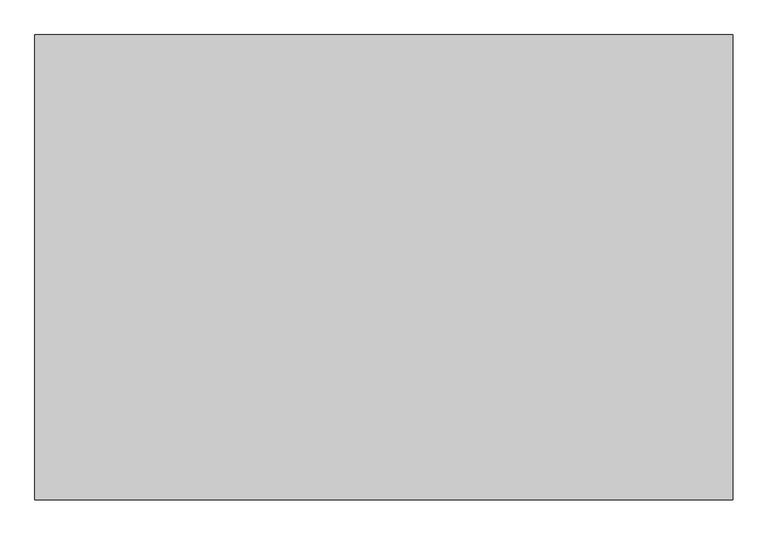
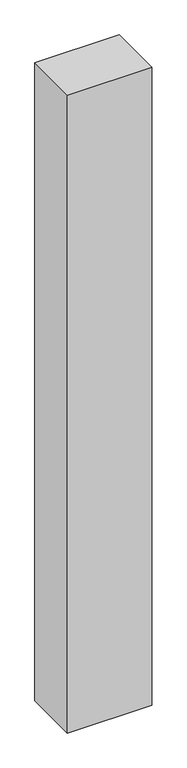
"""IFC4 building model written with IfcOpenShell, lengths in millimetres: proxy geometry."""

import ifcopenshell
import ifcopenshell.guid

model = None  # the IFC model being written
_history = None  # IfcOwnerHistory: only IFC2X3 demands one
_inside = {}  # id of a spatial element -> (the spatial element, [elements in it])
_under = {}  # id of a project, library or spatial element -> (it, [spatial elements below it])
_declared = {}  # id of a project -> (the project, [libraries it declares])
_typed = {}  # id of a type object -> (the type object, [elements of that type])
_made_of = {}  # id of a material, layer set ... -> (it, [elements and type objects made of it])


def new_model(schema):
    """Start an empty IFC model of exactly this schema.

    Asked for "IFC4X3", IfcOpenShell would pick the latest addendum, in which some entities
    have other attributes; the version numbers below select the first issue.
    IFC2X3 requires an IfcOwnerHistory on every rooted entity: one is made here for all.
    """
    global model, _history
    if schema == "IFC4X3":
        model = ifcopenshell.file(schema_version=(4, 3, 0, 0))
    else:
        model = ifcopenshell.file(schema=schema)
    _inside.clear()
    _under.clear()
    _declared.clear()
    _typed.clear()
    _made_of.clear()
    _history = None
    if model.schema == "IFC2X3":
        org = make("IfcOrganization", Name="unknown")
        user = make(
            "IfcPersonAndOrganization",
            ThePerson=make("IfcPerson", FamilyName="unknown"),
            TheOrganization=org,
        )
        app = make(
            "IfcApplication",
            ApplicationDeveloper=org,
            Version="unknown",
            ApplicationFullName="unknown",
            ApplicationIdentifier="unknown",
        )
        _history = make(
            "IfcOwnerHistory",
            OwningUser=user,
            OwningApplication=app,
            ChangeAction="ADDED",
            CreationDate=0,
        )
    return model


def make(cls, **values):
    """One entity of the class cls with the attributes given. An attribute that is None is left unset."""
    return model.create_entity(
        cls, **{name: value for name, value in values.items() if value is not None}
    )


def rooted(cls, **values):
    """An entity with a GlobalId (a new one), such as an element, a storey or a relation."""
    return make(cls, GlobalId=ifcopenshell.guid.new(), OwnerHistory=_history, **values)


def si_unit(unit_type, name, prefix=None):
    """IfcSIUnit, for example si_unit("LENGTHUNIT", "METRE", prefix="MILLI")."""
    return make("IfcSIUnit", UnitType=unit_type, Prefix=prefix, Name=name)


def assignment(units):
    """IfcUnitAssignment: the units of a project."""
    return None if units is None else make("IfcUnitAssignment", Units=units)


def point(xyz):
    """IfcCartesianPoint."""
    return None if xyz is None else make("IfcCartesianPoint", Coordinates=xyz)


def direction(xyz):
    """IfcDirection."""
    return None if xyz is None else make("IfcDirection", DirectionRatios=xyz)


def frame(location, z_axis=None, x_axis=None):
    """IfcAxis2Placement3D, a coordinate frame: its origin and axes. An axis left out is left unset."""
    return make(
        "IfcAxis2Placement3D",
        Location=point(location),
        Axis=direction(z_axis),
        RefDirection=direction(x_axis),
    )


def origin():
    """The frame at (0, 0, 0) with its axes left unset."""
    return frame((0.0, 0.0, 0.0))


def origin_with_axes():
    """The frame at (0, 0, 0) with the z axis (0, 0, 1) and the x axis (1, 0, 0) written out."""
    return frame((0.0, 0.0, 0.0), z_axis=(0.0, 0.0, 1.0), x_axis=(1.0, 0.0, 0.0))


def place(relative_to, where):
    """IfcLocalPlacement: puts the frame where relative to a parent placement (None: the world)."""
    return make(
        "IfcLocalPlacement", PlacementRelTo=relative_to, RelativePlacement=where
    )


def context(
    kind, dimensions, precision=None, world=None, true_north=None, identifier=None
):
    """IfcGeometricRepresentationContext, for example the 3D "Model" context."""
    return make(
        "IfcGeometricRepresentationContext",
        ContextIdentifier=identifier,
        ContextType=kind,
        CoordinateSpaceDimension=dimensions,
        Precision=precision,
        WorldCoordinateSystem=world,
        TrueNorth=true_north,
    )


def project(units=None, contexts=None):
    """IfcProject with its units and contexts."""
    return rooted(
        "IfcProject",
        Name="project",
        RepresentationContexts=contexts,
        UnitsInContext=assignment(units),
    )


def spatial(cls, under=None, at=None, **own):
    """A site, building, storey or space (cls), placed at a placement, below another one or the project."""
    s = rooted(cls, ObjectPlacement=at, **own)
    if under is not None:
        _under.setdefault(under.id(), (under, []))[1].append(s)
    return s


def polyline(points):
    """IfcPolyline through the points."""
    return make("IfcPolyline", Points=[point(p) for p in points])


def outline(outer, holes=None, kind="AREA"):
    """IfcArbitraryClosedProfileDef: a profile drawn as a closed curve; with holes, ...WithVoids."""
    if holes is None:
        return make("IfcArbitraryClosedProfileDef", ProfileType=kind, OuterCurve=outer)
    return make(
        "IfcArbitraryProfileDefWithVoids",
        ProfileType=kind,
        OuterCurve=outer,
        InnerCurves=holes,
    )


def extrude(swept, where, along, depth):
    """IfcExtrudedAreaSolid: the profile swept, set in the frame where, extruded along a direction by depth."""
    return make(
        "IfcExtrudedAreaSolid",
        SweptArea=swept,
        Position=where,
        ExtrudedDirection=direction(along),
        Depth=depth,
    )


def shape(context_of_items, identifier, shape_type, items):
    """IfcShapeRepresentation: the items that make up one representation, for example the "Body"."""
    return make(
        "IfcShapeRepresentation",
        ContextOfItems=context_of_items,
        RepresentationIdentifier=identifier,
        RepresentationType=shape_type,
        Items=items,
    )


def source(mapping_origin, context_of_items, identifier, shape_type, items):
    """IfcRepresentationMap: a shape defined once, which mapped items show again and again."""
    return make(
        "IfcRepresentationMap",
        MappingOrigin=mapping_origin,
        MappedRepresentation=shape(context_of_items, identifier, shape_type, items),
    )


def transform(
    local_origin,
    x_axis=None,
    y_axis=None,
    z_axis=None,
    scale=None,
    scale2=None,
    scale3=None,
    uniform=True,
):
    """IfcCartesianTransformationOperator3D, or its non-uniform kind. x_axis, y_axis, z_axis: its Axis1, 2, 3."""
    if uniform:
        return make(
            "IfcCartesianTransformationOperator3D",
            Axis1=direction(x_axis),
            Axis2=direction(y_axis),
            LocalOrigin=point(local_origin),
            Scale=scale,
            Axis3=direction(z_axis),
        )
    return make(
        "IfcCartesianTransformationOperator3DnonUniform",
        Axis1=direction(x_axis),
        Axis2=direction(y_axis),
        LocalOrigin=point(local_origin),
        Scale=scale,
        Axis3=direction(z_axis),
        Scale2=scale2,
        Scale3=scale3,
    )


def mapped(mapping_source, mapping_target):
    """IfcMappedItem: shows the shape of a source again, moved by a transform."""
    return make(
        "IfcMappedItem", MappingSource=mapping_source, MappingTarget=mapping_target
    )


def made_of(thing, what):
    """Note that an element or type object is made of a material, layer set ...; save() writes the relation."""
    if what is not None:
        _made_of.setdefault(what.id(), (what, []))[1].append(thing)
    return thing


def element(
    cls,
    number,
    at=None,
    inside=None,
    cuts=None,
    type_object=None,
    material=None,
    context=None,
    identifier="Body",
    shape_type=None,
    held_by="IfcProductDefinitionShape",
    body=None,
    shapes=None,
    **own,
):
    """One element of the class cls, such as IfcWall. Its Tag is "e" and its number.

    at: its placement. inside: the storey or other place that contains it. cuts: it is an
    opening in that element (IfcRelVoidsElement). A single representation is given by context,
    identifier, shape_type and body (its items); several are given by shapes. held_by: the class
    of the entity that holds the representations. save() writes the other relations.
    """
    e = rooted(cls, Tag="e%d" % number, ObjectPlacement=at, **own)
    if body is not None:
        shapes = [shape(context, identifier, shape_type, body)]
    if shapes is not None:
        e.Representation = make(held_by, Representations=shapes)
    if inside is not None:
        _inside.setdefault(inside.id(), (inside, []))[1].append(e)
    if cuts is not None:
        rooted(
            "IfcRelVoidsElement", RelatingBuildingElement=cuts, RelatedOpeningElement=e
        )
    if type_object is not None:
        _typed.setdefault(type_object.id(), (type_object, []))[1].append(e)
    return made_of(e, material)


def aggregate(whole, parts):
    """IfcRelAggregates: a whole, such as a stair, and the parts it consists of."""
    return rooted("IfcRelAggregates", RelatingObject=whole, RelatedObjects=parts)


def save(model, path):
    """Write the relations noted so far, then the file.

    IfcRelAggregates (storeys below a building ...), IfcRelContainedInSpatialStructure (elements
    in a storey), IfcRelDefinesByType, IfcRelAssociatesMaterial and IfcRelDeclares: one each for
    every whole, place, type object, material and project.
    """
    for whole, parts in _under.values():
        aggregate(whole, parts)
    for where, things in _inside.values():
        rooted(
            "IfcRelContainedInSpatialStructure",
            RelatedElements=things,
            RelatingStructure=where,
        )
    for kind, things in _typed.values():
        rooted("IfcRelDefinesByType", RelatedObjects=things, RelatingType=kind)
    for what, things in _made_of.values():
        rooted("IfcRelAssociatesMaterial", RelatedObjects=things, RelatingMaterial=what)
    for by, libraries in _declared.values():
        rooted("IfcRelDeclares", RelatingContext=by, RelatedDefinitions=libraries)
    model.write(path)


def generic_models_3de11c81(model_context):
    return source(origin(), model_context, "Body", "SweptSolid", [
        extrude(outline(polyline([(1182.8605409, 788.5736939), (1182.8605409, 0.0), (0.0, 0.0), (0.0, 788.5736939), (1182.8605409, 788.5736939)])), origin_with_axes(), (0.0, 0.0, 1.0), 9462.884327),
    ])


if __name__ == "__main__":
    model = new_model("IFC4")
    model_context = context("Model", 3, world=origin())
    ifc_project = project(units=[si_unit("LENGTHUNIT", "METRE", prefix="MILLI")], contexts=[model_context])
    site = spatial("IfcSite", under=ifc_project)
    building = spatial("IfcBuilding", under=site)
    placement = place(None, origin())
    generic_models_shape = generic_models_3de11c81(model_context)
    element("IfcBuildingElementProxy", 1, Name="Generic Models", at=placement, inside=building, context=model_context, shape_type="MappedRepresentation", body=[
        mapped(generic_models_shape, transform((0.0, 0.0, 0.0), x_axis=(1.0, 0.0, 0.0), y_axis=(0.0, 1.0, 0.0), z_axis=(0.0, 0.0, 1.0))),
    ])
    save(model, "model.ifc")
